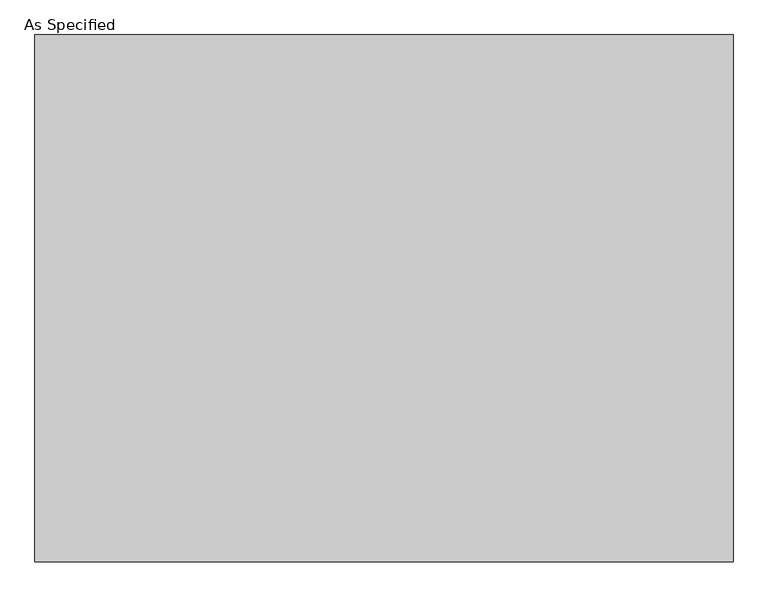
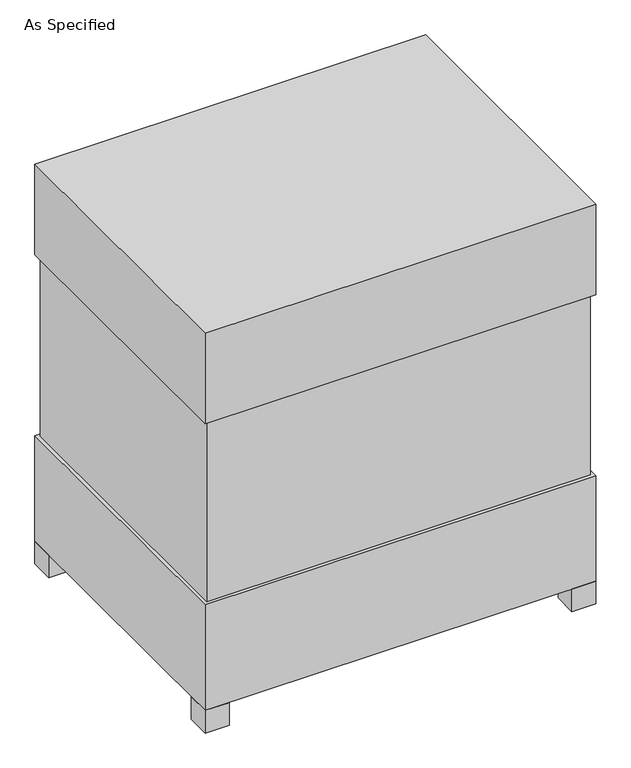
"""IFC4 building model written with IfcOpenShell, lengths in millimetres: proxy geometry, As Specified."""

from ifc_helpers import new_model, si_unit, frame, origin, origin_with_axes, place, context, project, spatial, polyline, outline, extrude, source, transform, mapped, element, save


def as_specified_2e2f8a02(model_context):
    return source(origin(), model_context, "Body", "SweptSolid", [
        extrude(outline(polyline([(611.1875, 458.7875), (611.1875, -458.7875), (-611.1875, -458.7875), (-611.1875, 458.7875), (611.1875, 458.7875)])), frame((0.0, 0.0, 431.8), z_axis=(0.0, 0.0, 1.0), x_axis=(1.0, 0.0, 0.0)), (0.0, 0.0, 1.0), 609.6),
        extrude(outline(polyline([(622.3, 469.9), (622.3, -469.9), (-622.3, -469.9), (-622.3, 469.9), (622.3, 469.9)])), frame((0.0, 0.0, 1041.4), z_axis=(0.0, 0.0, 1.0), x_axis=(1.0, 0.0, 0.0)), (0.0, 0.0, 1.0), 304.8),
        extrude(outline(polyline([(508.0, 304.8), (508.0, 228.6), (431.8, 228.6), (431.8, 304.8), (508.0, 304.8)])), frame((0.0, 0.0, 50.8), z_axis=(0.0, 0.0, 1.0), x_axis=(1.0, 0.0, 0.0)), (0.0, 0.0, 1.0), 25.4),
        extrude(outline(polyline([(508.0, -228.6), (431.8, -228.6), (431.8, -152.4), (508.0, -152.4), (508.0, -228.6)])), frame((0.0, 0.0, 50.8), z_axis=(0.0, 0.0, 1.0), x_axis=(1.0, 0.0, 0.0)), (0.0, 0.0, 1.0), 25.4),
        extrude(outline(polyline([(-546.1, 469.9), (-546.1, 393.7), (-622.3, 393.7), (-622.3, 469.9), (-546.1, 469.9)])), origin_with_axes(), (0.0, 0.0, 1.0), 76.2),
        extrude(outline(polyline([(622.3, 469.9), (622.3, 393.7), (546.1, 393.7), (546.1, 469.9), (622.3, 469.9)])), origin_with_axes(), (0.0, 0.0, 1.0), 76.2),
        extrude(outline(polyline([(622.3, -393.7), (622.3, -469.9), (546.1, -469.9), (546.1, -393.7), (622.3, -393.7)])), origin_with_axes(), (0.0, 0.0, 1.0), 76.2),
        extrude(outline(polyline([(-546.1, -393.7), (-546.1, -469.9), (-622.3, -469.9), (-622.3, -393.7), (-546.1, -393.7)])), origin_with_axes(), (0.0, 0.0, 1.0), 76.2),
        extrude(outline(polyline([(622.3, 469.9), (622.3, -469.9), (-622.3, -469.9), (-622.3, 469.9), (622.3, 469.9)])), frame((0.0, 0.0, 76.2), z_axis=(0.0, 0.0, 1.0), x_axis=(1.0, 0.0, 0.0)), (0.0, 0.0, 1.0), 355.6),
    ])


if __name__ == "__main__":
    model = new_model("IFC4")
    model_context = context("Model", 3, world=origin())
    ifc_project = project(units=[si_unit("LENGTHUNIT", "METRE", prefix="MILLI")], contexts=[model_context])
    site = spatial("IfcSite", under=ifc_project)
    building = spatial("IfcBuilding", under=site)
    placement = place(None, origin())
    as_specified_shape = as_specified_2e2f8a02(model_context)
    element("IfcBuildingElementProxy", 1, Name="As Specified", ObjectType="As Specified", at=placement, inside=building, context=model_context, shape_type="MappedRepresentation", body=[
        mapped(as_specified_shape, transform((0.0, 0.0, 0.0), x_axis=(1.0, 0.0, 0.0), y_axis=(0.0, 1.0, 0.0), z_axis=(0.0, 0.0, 1.0))),
    ])
    save(model, "model.ifc")
